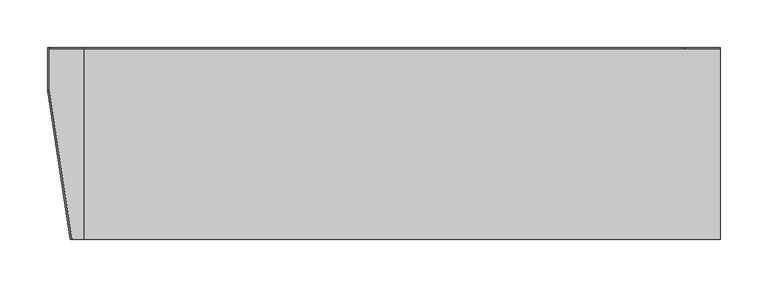
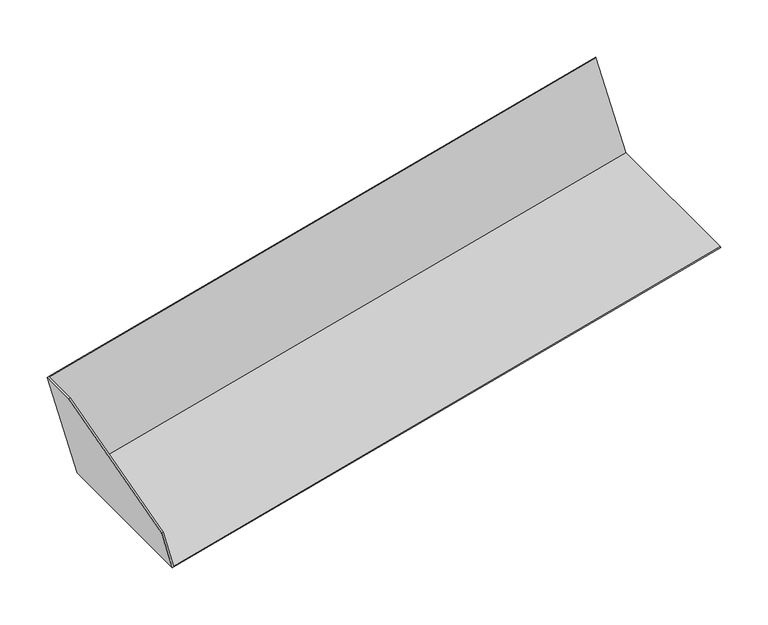
"""IFC4 building model written with IfcOpenShell, lengths in millimetres: proxy geometry."""

import ifcopenshell
import ifcopenshell.guid

model = None  # the IFC model being written
_history = None  # IfcOwnerHistory: only IFC2X3 demands one
_inside = {}  # id of a spatial element -> (the spatial element, [elements in it])
_under = {}  # id of a project, library or spatial element -> (it, [spatial elements below it])
_declared = {}  # id of a project -> (the project, [libraries it declares])
_typed = {}  # id of a type object -> (the type object, [elements of that type])
_made_of = {}  # id of a material, layer set ... -> (it, [elements and type objects made of it])


def new_model(schema):
    """Start an empty IFC model of exactly this schema.

    Asked for "IFC4X3", IfcOpenShell would pick the latest addendum, in which some entities
    have other attributes; the version numbers below select the first issue.
    IFC2X3 requires an IfcOwnerHistory on every rooted entity: one is made here for all.
    """
    global model, _history
    if schema == "IFC4X3":
        model = ifcopenshell.file(schema_version=(4, 3, 0, 0))
    else:
        model = ifcopenshell.file(schema=schema)
    _inside.clear()
    _under.clear()
    _declared.clear()
    _typed.clear()
    _made_of.clear()
    _history = None
    if model.schema == "IFC2X3":
        org = make("IfcOrganization", Name="unknown")
        user = make(
            "IfcPersonAndOrganization",
            ThePerson=make("IfcPerson", FamilyName="unknown"),
            TheOrganization=org,
        )
        app = make(
            "IfcApplication",
            ApplicationDeveloper=org,
            Version="unknown",
            ApplicationFullName="unknown",
            ApplicationIdentifier="unknown",
        )
        _history = make(
            "IfcOwnerHistory",
            OwningUser=user,
            OwningApplication=app,
            ChangeAction="ADDED",
            CreationDate=0,
        )
    return model


def make(cls, **values):
    """One entity of the class cls with the attributes given. An attribute that is None is left unset."""
    return model.create_entity(
        cls, **{name: value for name, value in values.items() if value is not None}
    )


def rooted(cls, **values):
    """An entity with a GlobalId (a new one), such as an element, a storey or a relation."""
    return make(cls, GlobalId=ifcopenshell.guid.new(), OwnerHistory=_history, **values)


def si_unit(unit_type, name, prefix=None):
    """IfcSIUnit, for example si_unit("LENGTHUNIT", "METRE", prefix="MILLI")."""
    return make("IfcSIUnit", UnitType=unit_type, Prefix=prefix, Name=name)


def assignment(units):
    """IfcUnitAssignment: the units of a project."""
    return None if units is None else make("IfcUnitAssignment", Units=units)


def point(xyz):
    """IfcCartesianPoint."""
    return None if xyz is None else make("IfcCartesianPoint", Coordinates=xyz)


def direction(xyz):
    """IfcDirection."""
    return None if xyz is None else make("IfcDirection", DirectionRatios=xyz)


def frame(location, z_axis=None, x_axis=None):
    """IfcAxis2Placement3D, a coordinate frame: its origin and axes. An axis left out is left unset."""
    return make(
        "IfcAxis2Placement3D",
        Location=point(location),
        Axis=direction(z_axis),
        RefDirection=direction(x_axis),
    )


def origin():
    """The frame at (0, 0, 0) with its axes left unset."""
    return frame((0.0, 0.0, 0.0))


def place(relative_to, where):
    """IfcLocalPlacement: puts the frame where relative to a parent placement (None: the world)."""
    return make(
        "IfcLocalPlacement", PlacementRelTo=relative_to, RelativePlacement=where
    )


def context(
    kind, dimensions, precision=None, world=None, true_north=None, identifier=None
):
    """IfcGeometricRepresentationContext, for example the 3D "Model" context."""
    return make(
        "IfcGeometricRepresentationContext",
        ContextIdentifier=identifier,
        ContextType=kind,
        CoordinateSpaceDimension=dimensions,
        Precision=precision,
        WorldCoordinateSystem=world,
        TrueNorth=true_north,
    )


def project(units=None, contexts=None):
    """IfcProject with its units and contexts."""
    return rooted(
        "IfcProject",
        Name="project",
        RepresentationContexts=contexts,
        UnitsInContext=assignment(units),
    )


def spatial(cls, under=None, at=None, **own):
    """A site, building, storey or space (cls), placed at a placement, below another one or the project."""
    s = rooted(cls, ObjectPlacement=at, **own)
    if under is not None:
        _under.setdefault(under.id(), (under, []))[1].append(s)
    return s


def polyline(points):
    """IfcPolyline through the points."""
    return make("IfcPolyline", Points=[point(p) for p in points])


def outline(outer, holes=None, kind="AREA"):
    """IfcArbitraryClosedProfileDef: a profile drawn as a closed curve; with holes, ...WithVoids."""
    if holes is None:
        return make("IfcArbitraryClosedProfileDef", ProfileType=kind, OuterCurve=outer)
    return make(
        "IfcArbitraryProfileDefWithVoids",
        ProfileType=kind,
        OuterCurve=outer,
        InnerCurves=holes,
    )


def extrude(swept, where, along, depth):
    """IfcExtrudedAreaSolid: the profile swept, set in the frame where, extruded along a direction by depth."""
    return make(
        "IfcExtrudedAreaSolid",
        SweptArea=swept,
        Position=where,
        ExtrudedDirection=direction(along),
        Depth=depth,
    )


def shape(context_of_items, identifier, shape_type, items):
    """IfcShapeRepresentation: the items that make up one representation, for example the "Body"."""
    return make(
        "IfcShapeRepresentation",
        ContextOfItems=context_of_items,
        RepresentationIdentifier=identifier,
        RepresentationType=shape_type,
        Items=items,
    )


def source(mapping_origin, context_of_items, identifier, shape_type, items):
    """IfcRepresentationMap: a shape defined once, which mapped items show again and again."""
    return make(
        "IfcRepresentationMap",
        MappingOrigin=mapping_origin,
        MappedRepresentation=shape(context_of_items, identifier, shape_type, items),
    )


def transform(
    local_origin,
    x_axis=None,
    y_axis=None,
    z_axis=None,
    scale=None,
    scale2=None,
    scale3=None,
    uniform=True,
):
    """IfcCartesianTransformationOperator3D, or its non-uniform kind. x_axis, y_axis, z_axis: its Axis1, 2, 3."""
    if uniform:
        return make(
            "IfcCartesianTransformationOperator3D",
            Axis1=direction(x_axis),
            Axis2=direction(y_axis),
            LocalOrigin=point(local_origin),
            Scale=scale,
            Axis3=direction(z_axis),
        )
    return make(
        "IfcCartesianTransformationOperator3DnonUniform",
        Axis1=direction(x_axis),
        Axis2=direction(y_axis),
        LocalOrigin=point(local_origin),
        Scale=scale,
        Axis3=direction(z_axis),
        Scale2=scale2,
        Scale3=scale3,
    )


def mapped(mapping_source, mapping_target):
    """IfcMappedItem: shows the shape of a source again, moved by a transform."""
    return make(
        "IfcMappedItem", MappingSource=mapping_source, MappingTarget=mapping_target
    )


def made_of(thing, what):
    """Note that an element or type object is made of a material, layer set ...; save() writes the relation."""
    if what is not None:
        _made_of.setdefault(what.id(), (what, []))[1].append(thing)
    return thing


def element(
    cls,
    number,
    at=None,
    inside=None,
    cuts=None,
    type_object=None,
    material=None,
    context=None,
    identifier="Body",
    shape_type=None,
    held_by="IfcProductDefinitionShape",
    body=None,
    shapes=None,
    **own,
):
    """One element of the class cls, such as IfcWall. Its Tag is "e" and its number.

    at: its placement. inside: the storey or other place that contains it. cuts: it is an
    opening in that element (IfcRelVoidsElement). A single representation is given by context,
    identifier, shape_type and body (its items); several are given by shapes. held_by: the class
    of the entity that holds the representations. save() writes the other relations.
    """
    e = rooted(cls, Tag="e%d" % number, ObjectPlacement=at, **own)
    if body is not None:
        shapes = [shape(context, identifier, shape_type, body)]
    if shapes is not None:
        e.Representation = make(held_by, Representations=shapes)
    if inside is not None:
        _inside.setdefault(inside.id(), (inside, []))[1].append(e)
    if cuts is not None:
        rooted(
            "IfcRelVoidsElement", RelatingBuildingElement=cuts, RelatedOpeningElement=e
        )
    if type_object is not None:
        _typed.setdefault(type_object.id(), (type_object, []))[1].append(e)
    return made_of(e, material)


def aggregate(whole, parts):
    """IfcRelAggregates: a whole, such as a stair, and the parts it consists of."""
    return rooted("IfcRelAggregates", RelatingObject=whole, RelatedObjects=parts)


def save(model, path):
    """Write the relations noted so far, then the file.

    IfcRelAggregates (storeys below a building ...), IfcRelContainedInSpatialStructure (elements
    in a storey), IfcRelDefinesByType, IfcRelAssociatesMaterial and IfcRelDeclares: one each for
    every whole, place, type object, material and project.
    """
    for whole, parts in _under.values():
        aggregate(whole, parts)
    for where, things in _inside.values():
        rooted(
            "IfcRelContainedInSpatialStructure",
            RelatedElements=things,
            RelatingStructure=where,
        )
    for kind, things in _typed.values():
        rooted("IfcRelDefinesByType", RelatedObjects=things, RelatingType=kind)
    for what, things in _made_of.values():
        rooted("IfcRelAssociatesMaterial", RelatedObjects=things, RelatingMaterial=what)
    for by, libraries in _declared.values():
        rooted("IfcRelDeclares", RelatingContext=by, RelatedDefinitions=libraries)
    model.write(path)


def generic_models_7bd12ea6(model_context):
    return source(origin(), model_context, "Body", "SweptSolid", [
        extrude(outline(polyline([(0.0, 0.0), (50.6372232, 0.0), (141.0000001, -155.70776), (141.0000001, -201.0), (0.0, -201.0), (0.0, 0.0)])), frame((-652.1762165, -278.0, 3237.4535456), z_axis=(0.9659258262890685, 0.0, 0.25881904510251996), x_axis=(-0.25881904510251996, 0.0, 0.9659258262890685)), (0.0, 0.0, 1.0), 1.7645355),
        extrude(outline(polyline([(-192.5, -2.8427894), (7.5, -2.8427894), (7.5, 137.1572105), (8.5, 137.1572105), (8.5, -3.8427895), (-192.5, -3.8427895), (-192.5, -2.8427894)])), frame((-651.4663932, -85.5, 3241.6220906), z_axis=(0.9659258262890685, 0.0, 0.25881904510251996), x_axis=(0.0, 1.0, 0.0)), (0.0, 0.0, 1.0), 690.0),
    ])


if __name__ == "__main__":
    model = new_model("IFC4")
    model_context = context("Model", 3, world=origin())
    ifc_project = project(units=[si_unit("LENGTHUNIT", "METRE", prefix="MILLI")], contexts=[model_context])
    site = spatial("IfcSite", under=ifc_project)
    building = spatial("IfcBuilding", under=site)
    placement = place(None, origin())
    generic_models_shape = generic_models_7bd12ea6(model_context)
    element("IfcBuildingElementProxy", 1, Name="Generic Models", at=placement, inside=building, context=model_context, shape_type="MappedRepresentation", body=[
        mapped(generic_models_shape, transform((0.0, 0.0, 0.0), x_axis=(1.0, 0.0, 0.0), y_axis=(0.0, 1.0, 0.0), z_axis=(0.0, 0.0, 1.0))),
    ])
    save(model, "model.ifc")
